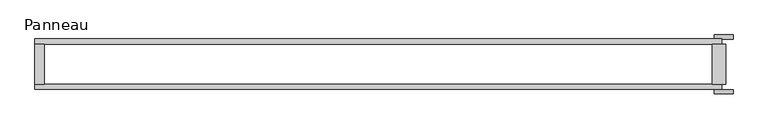
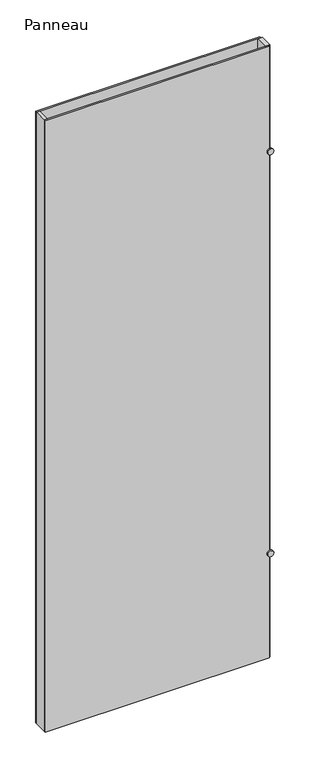
"""IFC4 building model written with IfcOpenShell, lengths in millimetres: plate geometry, Panneau."""

from ifc_helpers import new_model, si_unit, point, frame, frame_2d, origin, origin_with_axes, place, context, project, spatial, polyline, circle_curve, trimmed, segment, composite_curve, outline, extrude, source, transform, mapped, element, save


def panneau_93c78f12(model_context):
    return source(origin(), model_context, "Body", "SweptSolid", [
        extrude(outline(composite_curve([segment(trimmed(circle_curve(frame_2d((500.0, 506.1082011)), 14.0), [point((500.0, 492.1082011))], [point((500.0, 520.1082011))], False, "CARTESIAN"), True, "CONTINUOUS"), segment(trimmed(circle_curve(frame_2d((500.0, 506.1082011)), 14.0), [point((500.0, 520.1082011))], [point((500.0, 492.1082011))], False, "CARTESIAN"), True, "CONTINUOUS")], self_intersect=False)), frame((0.0, 37.2, 0.0), z_axis=(0.0, 1.0, 0.0), x_axis=(0.0, 0.0, 1.0)), (0.0, 0.0, 1.0), 6.0),
        extrude(outline(composite_curve([segment(trimmed(circle_curve(frame_2d((2415.0, 506.1082011)), 14.0), [point((2415.0, 492.1082011))], [point((2415.0, 520.1082011))], False, "CARTESIAN"), True, "CONTINUOUS"), segment(trimmed(circle_curve(frame_2d((2415.0, 506.1082011)), 14.0), [point((2415.0, 520.1082011))], [point((2415.0, 492.1082011))], False, "CARTESIAN"), True, "CONTINUOUS")], self_intersect=False)), frame((0.0, 37.2, 0.0), z_axis=(0.0, 1.0, 0.0), x_axis=(0.0, 0.0, 1.0)), (0.0, 0.0, 1.0), 6.0),
        extrude(outline(composite_curve([segment(trimmed(circle_curve(frame_2d((2415.0, 506.1082011)), 14.0), [point((2415.0, 492.1082011))], [point((2415.0, 520.1082011))], False, "CARTESIAN"), True, "CONTINUOUS"), segment(trimmed(circle_curve(frame_2d((2415.0, 506.1082011)), 14.0), [point((2415.0, 520.1082011))], [point((2415.0, 492.1082011))], False, "CARTESIAN"), True, "CONTINUOUS")], self_intersect=False)), frame((0.0, -43.2, 0.0), z_axis=(0.0, 1.0, 0.0), x_axis=(0.0, 0.0, 1.0)), (0.0, 0.0, 1.0), 6.0),
        extrude(outline(composite_curve([segment(trimmed(circle_curve(frame_2d((500.0, 506.1082011)), 14.0), [point((500.0, 492.1082011))], [point((500.0, 520.1082011))], False, "CARTESIAN"), True, "CONTINUOUS"), segment(trimmed(circle_curve(frame_2d((500.0, 506.1082011)), 14.0), [point((500.0, 520.1082011))], [point((500.0, 492.1082011))], False, "CARTESIAN"), True, "CONTINUOUS")], self_intersect=False)), frame((0.0, -43.2, 0.0), z_axis=(0.0, 1.0, 0.0), x_axis=(0.0, 0.0, 1.0)), (0.0, 0.0, 1.0), 6.0),
        extrude(outline(polyline([(-495.1082011, 29.2), (-495.1082011, -29.2), (-509.1082011, -29.2), (-509.1082011, 29.2), (-495.1082011, 29.2)])), origin_with_axes(), (0.0, 0.0, 1.0), 2915.0),
        extrude(outline(polyline([(509.1082011, 29.2), (509.1082011, -29.2), (489.1082011, -29.2), (489.1082011, 29.2), (509.1082011, 29.2)])), origin_with_axes(), (0.0, 0.0, 1.0), 2915.0),
        extrude(outline(polyline([(503.1082011, 29.2), (-509.1082011, 29.2), (-509.1082011, 37.2), (503.1082011, 37.2), (503.1082011, 29.2)])), origin_with_axes(), (0.0, 0.0, 1.0), 2915.0),
        extrude(outline(polyline([(-509.1082011, -37.2), (-509.1082011, -29.2), (503.1082011, -29.2), (503.1082011, -37.2), (-509.1082011, -37.2)])), origin_with_axes(), (0.0, 0.0, 1.0), 2915.0),
    ])


if __name__ == "__main__":
    model = new_model("IFC4")
    model_context = context("Model", 3, world=origin())
    ifc_project = project(units=[si_unit("LENGTHUNIT", "METRE", prefix="MILLI")], contexts=[model_context])
    site = spatial("IfcSite", under=ifc_project)
    building = spatial("IfcBuilding", under=site)
    placement = place(None, origin())
    panneau_shape = panneau_93c78f12(model_context)
    element("IfcPlate", 1, ObjectType="Panneau", at=placement, inside=building, context=model_context, shape_type="MappedRepresentation", body=[
        mapped(panneau_shape, transform((0.0, 0.0, 0.0), x_axis=(1.0, 0.0, 0.0), y_axis=(0.0, 1.0, 0.0), z_axis=(0.0, 0.0, 1.0))),
    ])
    save(model, "model.ifc")
